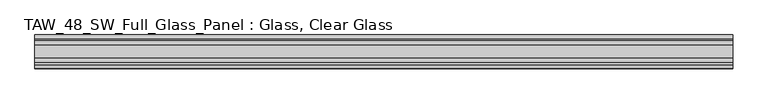
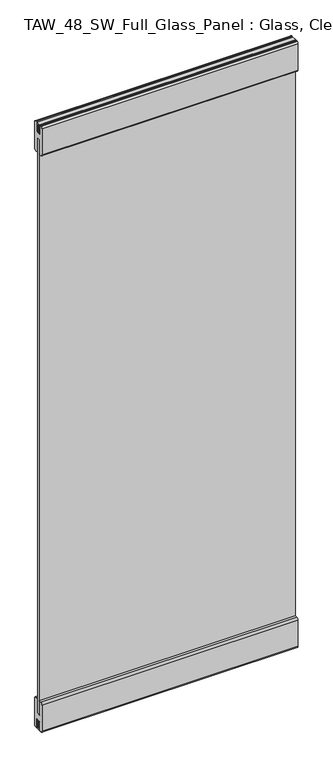
"""IFC4 building model written with IfcOpenShell, lengths in millimetres: plate geometry, TAW_48_SW_Full_Glass_Panel : Glass, Clear Glass."""

from ifc_helpers import new_model, si_unit, point, frame, frame_2d, origin, place, context, project, spatial, polyline, circle_curve, trimmed, segment, composite_curve, outline, extrude, source, transform, mapped, element, save


def taw_48_sw_full_glass_panel_glass_clear_glass_ac6987de(model_context):
    return source(origin(), model_context, "Body", "SweptSolid", [
        extrude(outline(polyline([(500.0, 5.0), (500.0, -5.0), (-500.0, -5.0), (-500.0, 5.0), (500.0, 5.0)])), frame((0.0, 0.0, 65.5028724), z_axis=(0.0, 0.0, 1.0), x_axis=(1.0, 0.0, 0.0)), (0.0, 0.0, 1.0), 2369.1638255),
        extrude(outline(composite_curve([segment(polyline([(6.0, 123.0), (16.7, 123.0)]), True, "CONTINUOUS"), segment(trimmed(circle_curve(frame_2d((16.7, 115.7)), 7.3), [point((16.7, 123.0))], [point((24.0, 115.7))], False, "CARTESIAN"), True, "CONTINUOUS"), segment(polyline([(24.0, 115.7), (24.0, 7.2006944)]), True, "CONTINUOUS"), segment(trimmed(circle_curve(frame_2d((16.7, 7.2006944)), 7.3), [point((24.0, 7.2006944))], [point((17.9, 0.0))], False, "CARTESIAN"), True, "CONTINUOUS"), segment(polyline([(17.9, 0.0), (15.5529859, 0.0), (15.5529859, 2.1027745), (10.0, 2.1027745), (10.0, 38.0), (-10.0, 38.0), (-10.0, 2.1027745), (-15.0493747, 2.1027745), (-15.0493747, 0.0), (-18.4598098, 0.0)]), True, "CONTINUOUS"), segment(trimmed(circle_curve(frame_2d((-16.55, 7.2010504)), 7.45), [point((-18.4598098, 0.0))], [point((-24.0, 7.2010504))], False, "CARTESIAN"), True, "CONTINUOUS"), segment(polyline([(-24.0, 7.2010504), (-24.0, 115.55)]), True, "CONTINUOUS"), segment(trimmed(circle_curve(frame_2d((-16.55, 115.55)), 7.45), [point((-24.0, 115.55))], [point((-16.55, 123.0))], False, "CARTESIAN"), True, "CONTINUOUS"), segment(polyline([(-16.55, 123.0), (-6.0, 123.0), (-6.0, 121.4010504), (-9.5, 121.4010504), (-9.5, 65.5028724), (9.5, 65.5028724), (9.5, 121.2506944), (6.0, 121.2506944), (6.0, 123.0)]), True, "CONTINUOUS")], self_intersect=False)), frame((-500.0, 0.0, 0.0), z_axis=(1.0, 0.0, 0.0), x_axis=(0.0, 1.0, 0.0)), (0.0, 0.0, 1.0), 1000.0),
        extrude(outline(polyline([(9.0, 2500.0), (9.0, 2461.2139286), (5.0, 2461.2139286), (5.0, 2496.0), (-5.0, 2496.0), (-5.0, 2461.2139286), (-9.0, 2461.2139286), (-9.0, 2500.0), (9.0, 2500.0)])), frame((-500.0, 0.0, 0.0), z_axis=(1.0, 0.0, 0.0), x_axis=(0.0, 1.0, 0.0)), (0.0, 0.0, 1.0), 1000.0),
        extrude(outline(polyline([(-9.0, 0.0), (-9.0, 38.0), (-5.0, 38.0), (-5.0, 4.0), (5.0, 4.0), (5.0, 38.0), (9.0, 38.0), (9.0, 0.0), (-9.0, 0.0)])), frame((-500.0, 0.0, 0.0), z_axis=(1.0, 0.0, 0.0), x_axis=(0.0, 1.0, 0.0)), (0.0, 0.0, 1.0), 1000.0),
        extrude(outline(composite_curve([segment(polyline([(-6.0, 2377.0), (-16.7, 2377.0)]), True, "CONTINUOUS"), segment(trimmed(circle_curve(frame_2d((-16.7, 2384.3)), 7.3), [point((-16.7, 2377.0))], [point((-24.0, 2384.3))], False, "CARTESIAN"), True, "CONTINUOUS"), segment(polyline([(-24.0, 2384.3), (-24.0, 2492.9688758)]), True, "CONTINUOUS"), segment(trimmed(circle_curve(frame_2d((-16.7, 2492.9688758)), 7.3), [point((-24.0, 2492.9688758))], [point((-18.6629804, 2500.0))], False, "CARTESIAN"), True, "CONTINUOUS"), segment(polyline([(-18.6629804, 2500.0), (-16.0197946, 2500.0), (-16.0197946, 2498.0667957), (-9.5, 2498.0667957), (-9.5, 2461.0667957), (9.5, 2461.0667957), (9.5, 2498.0667957), (16.0197946, 2498.0667957), (16.0197946, 2500.0), (18.6629804, 2500.0)]), True, "CONTINUOUS"), segment(trimmed(circle_curve(frame_2d((16.7, 2492.9688758)), 7.3), [point((18.6629804, 2500.0))], [point((24.0, 2492.9688758))], False, "CARTESIAN"), True, "CONTINUOUS"), segment(polyline([(24.0, 2492.9688758), (24.0, 2384.3)]), True, "CONTINUOUS"), segment(trimmed(circle_curve(frame_2d((16.7, 2384.3)), 7.3), [point((24.0, 2384.3))], [point((16.7, 2377.0))], False, "CARTESIAN"), True, "CONTINUOUS"), segment(polyline([(16.7, 2377.0), (6.0, 2377.0), (6.0, 2378.9188758), (9.5, 2378.9188758), (9.5, 2434.6666978), (-9.5, 2434.6666978), (-9.5, 2378.9188758), (-6.0, 2378.9188758), (-6.0, 2377.0)]), True, "CONTINUOUS")], self_intersect=False)), frame((-500.0, 0.0, 0.0), z_axis=(1.0, 0.0, 0.0), x_axis=(0.0, 1.0, 0.0)), (0.0, 0.0, 1.0), 1000.0),
    ])


if __name__ == "__main__":
    model = new_model("IFC4")
    model_context = context("Model", 3, world=origin())
    ifc_project = project(units=[si_unit("LENGTHUNIT", "METRE", prefix="MILLI")], contexts=[model_context])
    site = spatial("IfcSite", under=ifc_project)
    building = spatial("IfcBuilding", under=site)
    placement = place(None, origin())
    taw_48_sw_full_glass_panel_glass_clear_glass_shape = taw_48_sw_full_glass_panel_glass_clear_glass_ac6987de(model_context)
    element("IfcPlate", 1, ObjectType="TAW_48_SW_Full_Glass_Panel : Glass, Clear Glass", at=placement, inside=building, context=model_context, shape_type="MappedRepresentation", body=[
        mapped(taw_48_sw_full_glass_panel_glass_clear_glass_shape, transform((0.0, 0.0, 0.0), x_axis=(1.0, 0.0, 0.0), y_axis=(0.0, 1.0, 0.0), z_axis=(0.0, 0.0, 1.0))),
    ])
    save(model, "model.ifc")
